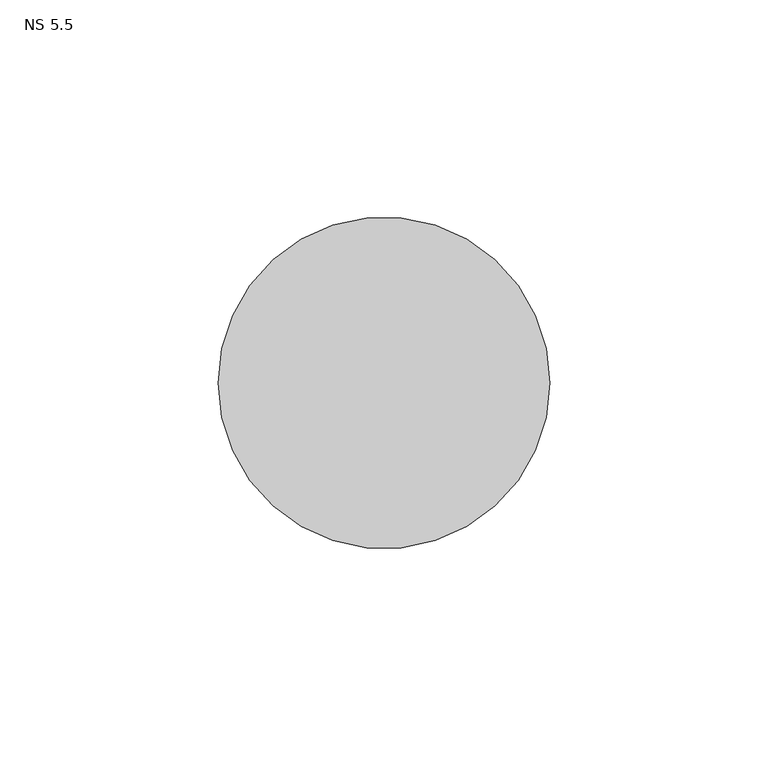
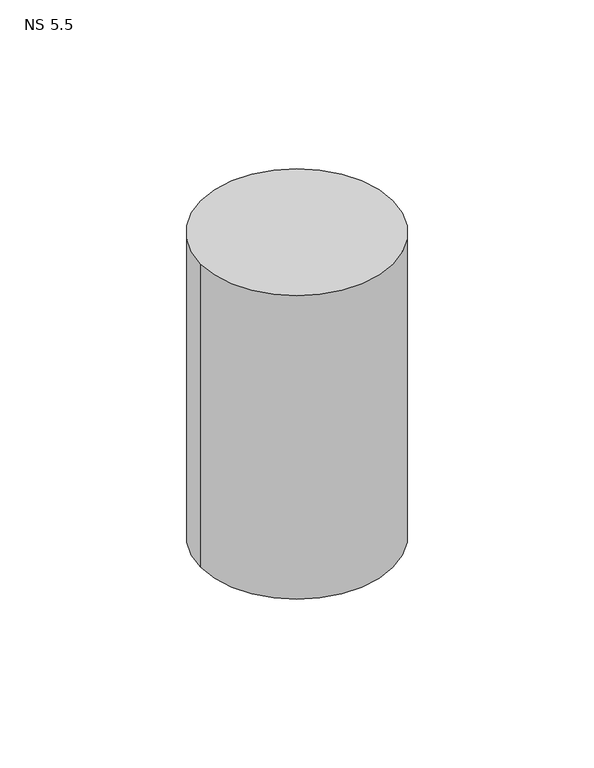
"""IFC4 building model written with IfcOpenShell, lengths in millimetres: unitary equipment geometry, NS 5.5."""

from ifc_helpers import new_model, si_unit, point, frame, frame_2d, origin, place, context, project, spatial, circle_curve, trimmed, segment, composite_curve, outline, extrude, source, transform, mapped, element, save


def ns_5_5_cb153d98(model_context):
    return source(origin(), model_context, "Body", "SweptSolid", [
        extrude(outline(composite_curve([segment(trimmed(circle_curve(frame_2d((-665.2, 281.1395574)), 38.0), [point((-703.2, 281.1395574))], [point((-627.2, 281.1395574))], False, "CARTESIAN"), True, "CONTINUOUS"), segment(trimmed(circle_curve(frame_2d((-665.2, 281.1395574)), 38.0), [point((-627.2, 281.1395574))], [point((-703.2, 281.1395574))], False, "CARTESIAN"), True, "CONTINUOUS")], self_intersect=False)), frame((0.0, 0.0, 1510.0), z_axis=(0.0, 0.0, 1.0), x_axis=(1.0, 0.0, 0.0)), (0.0, 0.0, 1.0), 127.0),
    ])


if __name__ == "__main__":
    model = new_model("IFC4")
    model_context = context("Model", 3, world=origin())
    ifc_project = project(units=[si_unit("LENGTHUNIT", "METRE", prefix="MILLI")], contexts=[model_context])
    site = spatial("IfcSite", under=ifc_project)
    building = spatial("IfcBuilding", under=site)
    placement = place(None, origin())
    ns_5_5_shape = ns_5_5_cb153d98(model_context)
    element("IfcUnitaryEquipment", 1, ObjectType="NS 5.5", at=placement, inside=building, context=model_context, shape_type="MappedRepresentation", body=[
        mapped(ns_5_5_shape, transform((0.0, 0.0, 0.0), x_axis=(1.0, 0.0, 0.0), y_axis=(0.0, 1.0, 0.0), z_axis=(0.0, 0.0, 1.0))),
    ])
    save(model, "model.ifc")
